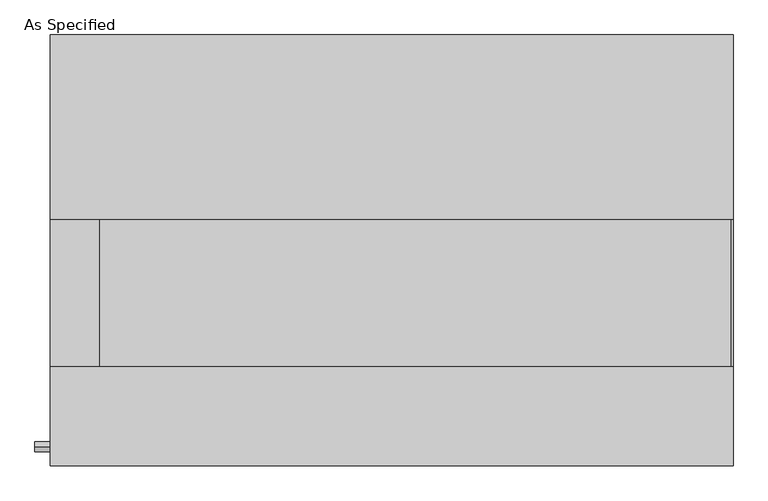
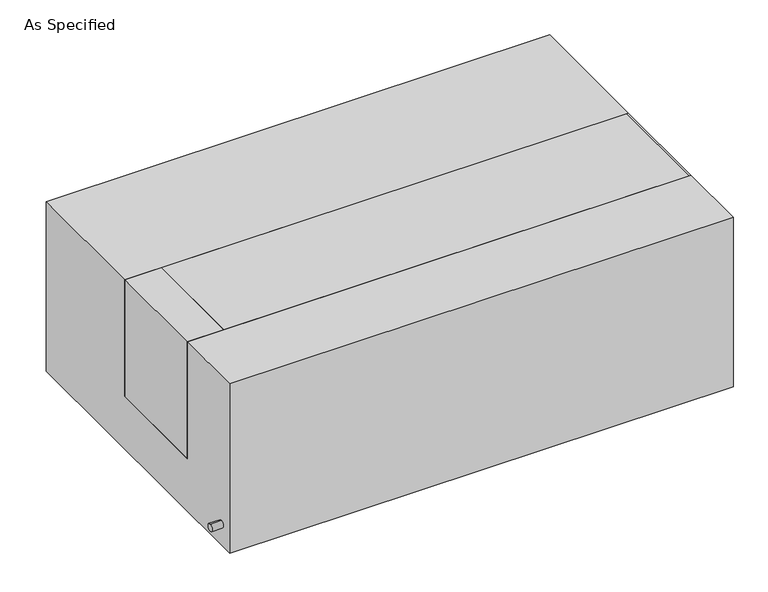
"""IFC4 building model written with IfcOpenShell, lengths in millimetres: proxy geometry, As Specified."""

from ifc_helpers import new_model, si_unit, point, frame, frame_2d, origin, place, context, project, spatial, polyline, circle_curve, trimmed, segment, composite_curve, outline, extrude, source, transform, mapped, element, save


def as_specified_da941f33(model_context):
    return source(origin(), model_context, "Body", "SweptSolid", [
        extrude(outline(composite_curve([segment(trimmed(circle_curve(frame_2d((-407.9875, -466.725)), 10.5), [point((-407.9875, -456.225))], [point((-407.9875, -477.225))], False, "CARTESIAN"), True, "CONTINUOUS"), segment(trimmed(circle_curve(frame_2d((-407.9875, -466.725)), 10.5), [point((-407.9875, -477.225))], [point((-407.9875, -456.225))], False, "CARTESIAN"), True, "CONTINUOUS")], self_intersect=False)), frame((-741.4528384, 0.0, 0.0), z_axis=(1.0, 0.0, 0.0), x_axis=(0.0, 1.0, 0.0)), (0.0, 0.0, 1.0), 31.8403384),
        extrude(outline(polyline([(-607.21875, 63.5), (-607.21875, -241.3), (-709.6125, -241.3), (-709.6125, 63.5), (-607.21875, 63.5)])), frame((0.0, 0.0, -373.0625), z_axis=(0.0, 0.0, 1.0), x_axis=(1.0, 0.0, 0.0)), (0.0, 0.0, 1.0), 347.6625),
        extrude(outline(polyline([(705.64375, 63.5), (709.6125, 63.5), (709.6125, -241.3), (705.64375, -241.3), (705.64375, 63.5)])), frame((0.0, 0.0, -39.6875), z_axis=(0.0, 0.0, 1.0), x_axis=(1.0, 0.0, 0.0)), (0.0, 0.0, 1.0), 14.2875),
        extrude(outline(polyline([(709.6125, 63.5), (709.6125, -241.3), (-607.21875, -241.3), (-607.21875, 63.5), (709.6125, 63.5)])), frame((0.0, 0.0, -373.0625), z_axis=(0.0, 0.0, 1.0), x_axis=(1.0, 0.0, 0.0)), (0.0, 0.0, 1.0), 347.6625),
        extrude(outline(polyline([(447.675, -25.4), (447.675, -530.225), (-447.675, -530.225), (-447.675, -25.4), (-241.3, -25.4), (-241.3, -373.0625), (63.5, -373.0625), (63.5, -25.4), (447.675, -25.4)])), frame((-709.6125, 0.0, 0.0), z_axis=(1.0, 0.0, 0.0), x_axis=(0.0, 1.0, 0.0)), (0.0, 0.0, 1.0), 1419.225),
    ])


if __name__ == "__main__":
    model = new_model("IFC4")
    model_context = context("Model", 3, world=origin())
    ifc_project = project(units=[si_unit("LENGTHUNIT", "METRE", prefix="MILLI")], contexts=[model_context])
    site = spatial("IfcSite", under=ifc_project)
    building = spatial("IfcBuilding", under=site)
    placement = place(None, origin())
    as_specified_shape = as_specified_da941f33(model_context)
    element("IfcBuildingElementProxy", 1, Name="As Specified", ObjectType="As Specified", at=placement, inside=building, context=model_context, shape_type="MappedRepresentation", body=[
        mapped(as_specified_shape, transform((0.0, 0.0, 0.0), x_axis=(1.0, 0.0, 0.0), y_axis=(0.0, 1.0, 0.0), z_axis=(0.0, 0.0, 1.0))),
    ])
    save(model, "model.ifc")
